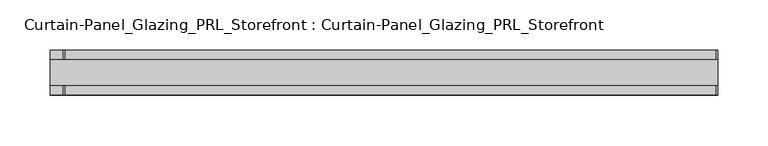
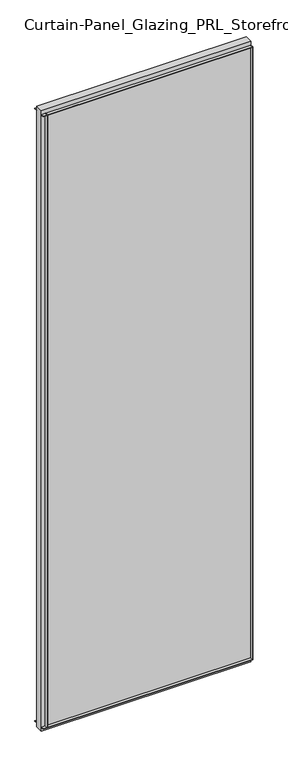
"""IFC4 building model written with IfcOpenShell, lengths in millimetres: plate geometry, Curtain-Panel_Glazing_PRL_Storefront : Curtain-Panel_Glazing_PRL_Storefront."""

from ifc_helpers import new_model, si_unit, frame, origin, origin_with_axes, place, context, project, spatial, polyline, outline, extrude, source, transform, mapped, element, save


def curtain_panel_glazing_prl_storefront_curtain_panel_glazing_9c9f5cc5(model_context):
    return source(origin(), model_context, "Body", "SweptSolid", [
        extrude(outline(polyline([(269.875, 22.225), (269.875, 12.7), (268.2875, 12.7), (268.2875, 22.225), (269.875, 22.225)])), frame((0.0, 0.0, 12.7), z_axis=(0.0, 0.0, 1.0), x_axis=(1.0, 0.0, 0.0)), (0.0, 0.0, 1.0), 2047.08125),
        extrude(outline(polyline([(269.875, -22.225), (268.2875, -22.225), (268.2875, -12.7), (269.875, -12.7), (269.875, -22.225)])), frame((0.0, 0.0, 12.7), z_axis=(0.0, 0.0, 1.0), x_axis=(1.0, 0.0, 0.0)), (0.0, 0.0, 1.0), 2047.08125),
        extrude(outline(polyline([(-381.0, 22.225), (-379.4125, 22.225), (-379.4125, 12.7), (-381.0, 12.7), (-381.0, 22.225)])), frame((0.0, 0.0, 12.7), z_axis=(0.0, 0.0, 1.0), x_axis=(1.0, 0.0, 0.0)), (0.0, 0.0, 1.0), 2047.08125),
        extrude(outline(polyline([(-381.0, -22.225), (-381.0, -12.7), (-379.4125, -12.7), (-379.4125, -22.225), (-381.0, -22.225)])), frame((0.0, 0.0, 12.7), z_axis=(0.0, 0.0, 1.0), x_axis=(1.0, 0.0, 0.0)), (0.0, 0.0, 1.0), 2047.08125),
        extrude(outline(polyline([(269.875, -12.7), (-393.7, -12.7), (-393.7, 12.7), (269.875, 12.7), (269.875, -12.7)])), origin_with_axes(), (0.0, 0.0, 1.0), 2072.48125),
        extrude(outline(polyline([(-393.7, 22.225), (269.875, 22.225), (269.875, 12.7), (-393.7, 12.7), (-393.7, 22.225)])), frame((0.0, 0.0, 2058.19375), z_axis=(0.0, 0.0, 1.0), x_axis=(1.0, 0.0, 0.0)), (0.0, 0.0, 1.0), 1.5875),
        extrude(outline(polyline([(-393.7, -22.225), (-393.7, -12.7), (269.875, -12.7), (269.875, -22.225), (-393.7, -22.225)])), frame((0.0, 0.0, 2058.19375), z_axis=(0.0, 0.0, 1.0), x_axis=(1.0, 0.0, 0.0)), (0.0, 0.0, 1.0), 1.5875),
        extrude(outline(polyline([(-393.7, 22.225), (269.875, 22.225), (269.875, 12.7), (-393.7, 12.7), (-393.7, 22.225)])), frame((0.0, 0.0, 12.7), z_axis=(0.0, 0.0, 1.0), x_axis=(1.0, 0.0, 0.0)), (0.0, 0.0, 1.0), 1.5875),
        extrude(outline(polyline([(-393.7, -22.225), (-393.7, -12.7), (269.875, -12.7), (269.875, -22.225), (-393.7, -22.225)])), frame((0.0, 0.0, 12.7), z_axis=(0.0, 0.0, 1.0), x_axis=(1.0, 0.0, 0.0)), (0.0, 0.0, 1.0), 1.5875),
    ])


if __name__ == "__main__":
    model = new_model("IFC4")
    model_context = context("Model", 3, world=origin())
    ifc_project = project(units=[si_unit("LENGTHUNIT", "METRE", prefix="MILLI")], contexts=[model_context])
    site = spatial("IfcSite", under=ifc_project)
    building = spatial("IfcBuilding", under=site)
    placement = place(None, origin())
    curtain_panel_glazing_prl_storefront_curtain_panel_glazing_shape = curtain_panel_glazing_prl_storefront_curtain_panel_glazing_9c9f5cc5(model_context)
    element("IfcPlate", 1, ObjectType="Curtain-Panel_Glazing_PRL_Storefront : Curtain-Panel_Glazing_PRL_Storefront", at=placement, inside=building, context=model_context, shape_type="MappedRepresentation", body=[
        mapped(curtain_panel_glazing_prl_storefront_curtain_panel_glazing_shape, transform((0.0, 0.0, 0.0), x_axis=(1.0, 0.0, 0.0), y_axis=(0.0, 1.0, 0.0), z_axis=(0.0, 0.0, 1.0))),
    ])
    save(model, "model.ifc")
